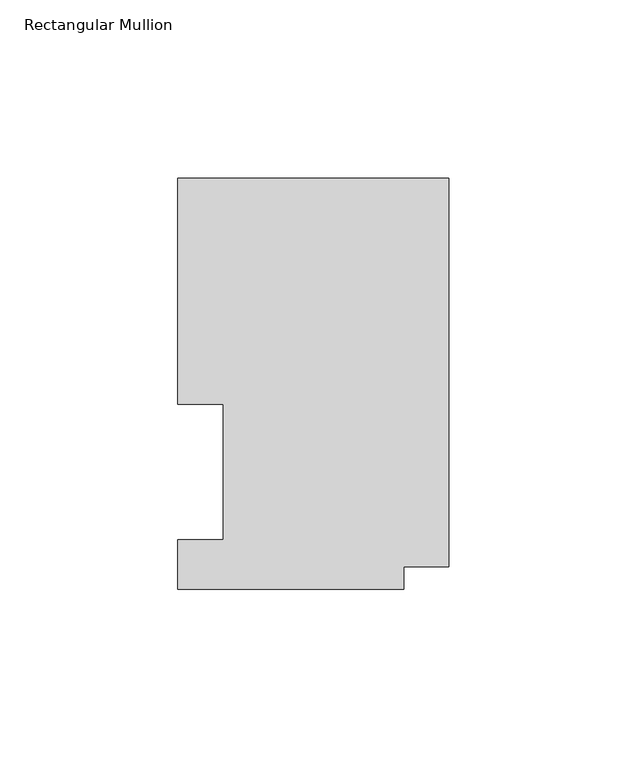
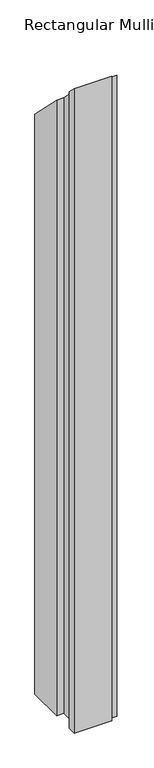
"""IFC4 building model written with IfcOpenShell, lengths in millimetres: member geometry, Rectangular Mullion."""

from ifc_helpers import new_model, si_unit, origin, place, context, project, spatial, faceted_brep, source, transform, mapped, element, save


def rectangular_mullion_05b8251d(model_context):
    return source(origin(), model_context, "Body", "Brep", [
        faceted_brep([(0.0, 115.5898607, -1156.6634065), (0.0, 6.3856708, -1156.6634065), (-12.5262802, 6.3856708, -1156.6634065), (-12.5262802, 0.0198607, -1156.6634065), (-76.0262802, 0.0198607, -1156.6634065), (-76.0262802, 13.9898777, -1156.6634065), (-63.3262802, 13.9898777, -1156.6634065), (-63.3262802, 52.0898438, -1156.6634065), (-76.0222, 52.0898438, -1156.6634065), (-76.0222, 115.5898607, -1156.6634065), (-76.0222, 115.5898607, -115.5898607), (0.0, 115.5898607, -115.5898607), (-76.0222, 52.0898438, -52.0898438), (-63.3262802, 52.0898438, -52.0898438), (-63.3262802, 13.9898777, -13.9898777), (-76.0262802, 13.9898777, -13.9898777), (-76.0262802, 0.0198607, -0.0198607), (-12.5262802, 0.0198607, -0.0198607), (-12.5262802, 6.3856708, -6.3856708), (0.0, 6.3856708, -6.3856708)], [[[0, 1, 2, 3, 4, 5, 6, 7, 8, 9]], [[10, 11, 0, 9]], [[12, 10, 9, 8]], [[13, 12, 8, 7]], [[14, 13, 7, 6]], [[15, 14, 6, 5]], [[16, 15, 5, 4]], [[17, 16, 4, 3]], [[18, 17, 3, 2]], [[19, 18, 2, 1]], [[11, 19, 1, 0]], [[11, 10, 12, 13, 14, 15, 16, 17, 18, 19]]]),
    ])


if __name__ == "__main__":
    model = new_model("IFC4")
    model_context = context("Model", 3, world=origin())
    ifc_project = project(units=[si_unit("LENGTHUNIT", "METRE", prefix="MILLI")], contexts=[model_context])
    site = spatial("IfcSite", under=ifc_project)
    building = spatial("IfcBuilding", under=site)
    placement = place(None, origin())
    rectangular_mullion_shape = rectangular_mullion_05b8251d(model_context)
    element("IfcMember", 1, ObjectType="Rectangular Mullion", at=placement, inside=building, context=model_context, shape_type="MappedRepresentation", body=[
        mapped(rectangular_mullion_shape, transform((0.0, 0.0, 0.0), x_axis=(1.0, 0.0, 0.0), y_axis=(0.0, 1.0, 0.0), z_axis=(0.0, 0.0, 1.0))),
    ])
    save(model, "model.ifc")
